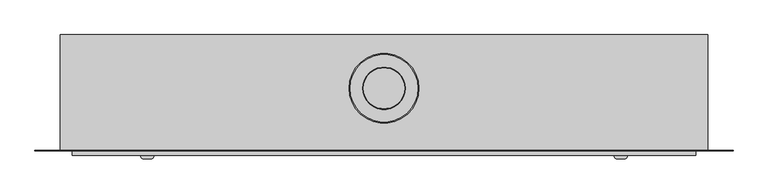
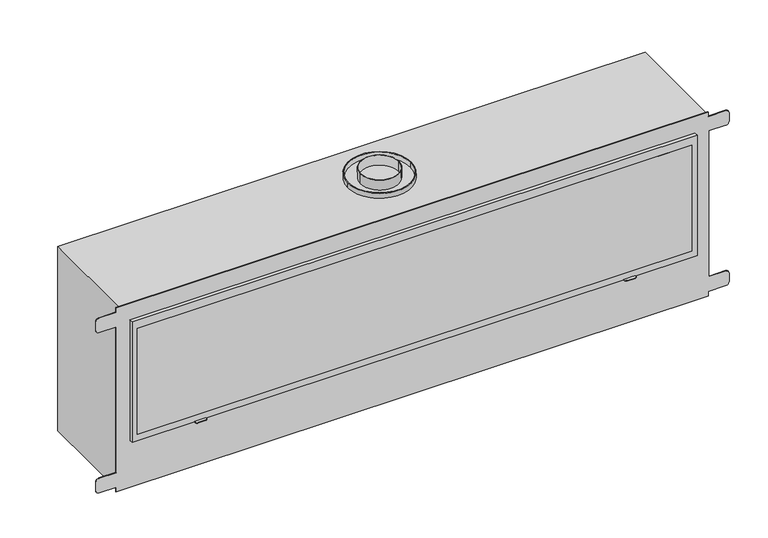
"""IFC4 building model written with IfcOpenShell, lengths in millimetres: proxy geometry."""

from ifc_helpers import new_model, si_unit, point, frame, frame_2d, origin, origin_with_axes, origin_2d, place, context, project, spatial, polyline, circle_curve, trimmed, segment, composite_curve, outline, extrude, source, transform, mapped, element, save


def generic_models_8a069cad(model_context):
    return source(origin(), model_context, "Body", "SweptSolid", [
        extrude(outline(polyline([(926.9793009, -203.10317), (-926.9793009, -203.10317), (-926.9793009, -190.5513509), (926.9793009, -190.5513509), (926.9793009, -203.10317)])), frame((0.0, 0.0, 188.9439534), z_axis=(0.0, 0.0, 1.0), x_axis=(1.0, 0.0, 0.0)), (0.0, 0.0, 1.0), 374.8832152),
        extrude(outline(polyline([(592.8959609, -944.5625), (167.1247785, -944.5625), (167.1247785, 944.5625), (592.8959609, 944.5625), (592.8959609, -944.5625)]), holes=[polyline([(563.8271686, -926.9793009), (563.8271686, 926.9793009), (188.9439534, 926.9793009), (188.9439534, -926.9793009), (563.8271686, -926.9793009)])]), frame((0.0, -203.10317, 0.0), z_axis=(0.0, 1.0, 0.0), x_axis=(0.0, 0.0, 1.0)), (0.0, 0.0, 1.0), 12.5518191),
        extrude(outline(composite_curve([segment(polyline([(0.0, 988.08121), (17.0564191, 988.08121), (17.0564191, 1047.5328585)]), True, "CONTINUOUS"), segment(trimmed(circle_curve(frame_2d((27.9421334, 1047.5328585)), 10.8857143), [point((17.0564191, 1047.5328585))], [point((27.9421334, 1058.4185728))], False, "CARTESIAN"), True, "CONTINUOUS"), segment(polyline([(27.9421334, 1058.4185728), (57.3143904, 1058.4185728)]), True, "CONTINUOUS"), segment(trimmed(circle_curve(frame_2d((57.3143904, 1047.5328585)), 10.8857143), [point((57.3143904, 1058.4185728))], [point((68.2001047, 1047.5328585))], False, "CARTESIAN"), True, "CONTINUOUS"), segment(polyline([(68.2001047, 1047.5328585), (68.2001047, 990.3207555), (584.1887484, 990.3207555), (584.1887484, 1047.5328585)]), True, "CONTINUOUS"), segment(trimmed(circle_curve(frame_2d((595.0744627, 1047.5328585)), 10.8857143), [point((584.1887484, 1047.5328585))], [point((595.0744627, 1058.4185728))], False, "CARTESIAN"), True, "CONTINUOUS"), segment(polyline([(595.0744627, 1058.4185728), (624.4467197, 1058.4185728)]), True, "CONTINUOUS"), segment(trimmed(circle_curve(frame_2d((624.4467197, 1047.5328585)), 10.8857143), [point((624.4467197, 1058.4185728))], [point((635.332434, 1047.5328585))], False, "CARTESIAN"), True, "CONTINUOUS"), segment(polyline([(635.332434, 1047.5328585), (635.332434, 988.607442), (650.6670085, 988.607442), (650.6670085, -990.3207555), (635.332434, -990.3207555), (635.332434, -1047.5328585)]), True, "CONTINUOUS"), segment(trimmed(circle_curve(frame_2d((624.4467197, -1047.5328585)), 10.8857143), [point((635.332434, -1047.5328585))], [point((624.4467197, -1058.4185728))], False, "CARTESIAN"), True, "CONTINUOUS"), segment(polyline([(624.4467197, -1058.4185728), (595.0744627, -1058.4185728)]), True, "CONTINUOUS"), segment(trimmed(circle_curve(frame_2d((595.0744627, -1047.5328585)), 10.8857143), [point((595.0744627, -1058.4185728))], [point((584.1887484, -1047.5328585))], False, "CARTESIAN"), True, "CONTINUOUS"), segment(polyline([(584.1887484, -1047.5328585), (584.1887484, -990.3207555), (68.2001047, -990.3207555), (68.2001047, -1047.5328585)]), True, "CONTINUOUS"), segment(trimmed(circle_curve(frame_2d((57.3143904, -1047.5328585)), 10.8857143), [point((68.2001047, -1047.5328585))], [point((57.3143904, -1058.4185728))], False, "CARTESIAN"), True, "CONTINUOUS"), segment(polyline([(57.3143904, -1058.4185728), (27.9421334, -1058.4185728)]), True, "CONTINUOUS"), segment(trimmed(circle_curve(frame_2d((27.9421334, -1047.5328585)), 10.8857143), [point((27.9421334, -1058.4185728))], [point((17.0564191, -1047.5328585))], False, "CARTESIAN"), True, "CONTINUOUS"), segment(polyline([(17.0564191, -1047.5328585), (17.0564191, -990.3207555), (0.0, -990.3207555), (0.0, 988.08121)]), True, "CONTINUOUS")], self_intersect=False)), frame((0.0, -190.5513509, 0.0), z_axis=(0.0, 1.0, 0.0), x_axis=(0.0, 0.0, 1.0)), (0.0, 0.0, 1.0), 2.0900571),
        extrude(outline(composite_curve([segment(trimmed(circle_curve(frame_2d((-730.4955447, -207.6512988)), 6.3521352), [point((-730.4955447, -214.0034339))], [point((-736.8476799, -207.6512988))], False, "CARTESIAN"), True, "CONTINUOUS"), segment(polyline([(-736.8476799, -207.6512988), (-736.8476799, -203.10317), (-698.7348689, -203.10317), (-698.7348689, -207.6512988)]), True, "CONTINUOUS"), segment(trimmed(circle_curve(frame_2d((-705.087004, -207.6512988)), 6.3521352), [point((-698.7348689, -207.6512988))], [point((-705.087004, -214.0034339))], False, "CARTESIAN"), True, "CONTINUOUS"), segment(polyline([(-705.087004, -214.0034339), (-730.4955447, -214.0034339)]), True, "CONTINUOUS")], self_intersect=False)), frame((0.0, 0.0, 167.1247785), z_axis=(0.0, 0.0, 1.0), x_axis=(1.0, 0.0, 0.0)), (0.0, 0.0, 1.0), 1.7197064),
        extrude(outline(composite_curve([segment(trimmed(circle_curve(frame_2d((705.087004, -207.6512988)), 6.3521352), [point((705.087004, -214.0034339))], [point((698.7348689, -207.6512988))], False, "CARTESIAN"), True, "CONTINUOUS"), segment(polyline([(698.7348689, -207.6512988), (698.7348689, -203.10317), (736.8476799, -203.10317), (736.8476799, -207.6512988)]), True, "CONTINUOUS"), segment(trimmed(circle_curve(frame_2d((730.4955447, -207.6512988)), 6.3521352), [point((736.8476799, -207.6512988))], [point((730.4955447, -214.0034339))], False, "CARTESIAN"), True, "CONTINUOUS"), segment(polyline([(730.4955447, -214.0034339), (705.087004, -214.0034339)]), True, "CONTINUOUS")], self_intersect=False)), frame((0.0, 0.0, 167.1247785), z_axis=(0.0, 0.0, 1.0), x_axis=(1.0, 0.0, 0.0)), (0.0, 0.0, 1.0), 1.7197064),
        extrude(outline(composite_curve([segment(trimmed(circle_curve(origin_2d(), 64.0295225), [point((-64.0295225, 0.0))], [point((64.0295225, 0.0))], False, "CARTESIAN"), True, "CONTINUOUS"), segment(trimmed(circle_curve(origin_2d(), 64.0295225), [point((64.0295225, 0.0))], [point((-64.0295225, 0.0))], False, "CARTESIAN"), True, "CONTINUOUS")], self_intersect=False), holes=[composite_curve([segment(trimmed(circle_curve(origin_2d(), 62.2509247), [point((-62.2509247, 0.0))], [point((62.2509247, 0.0))], True, "CARTESIAN"), True, "CONTINUOUS"), segment(trimmed(circle_curve(origin_2d(), 62.2509247), [point((62.2509247, 0.0))], [point((-62.2509247, 0.0))], True, "CARTESIAN"), True, "CONTINUOUS")], self_intersect=False)]), frame((0.0, 0.0, 650.6670085), z_axis=(0.0, 0.0, 1.0), x_axis=(1.0, 0.0, 0.0)), (0.0, 0.0, 1.0), 35.1329915),
        extrude(outline(composite_curve([segment(trimmed(circle_curve(origin_2d(), 106.0806574), [point((-106.0806574, 0.0))], [point((106.0806574, 0.0))], False, "CARTESIAN"), True, "CONTINUOUS"), segment(trimmed(circle_curve(origin_2d(), 106.0806574), [point((106.0806574, 0.0))], [point((-106.0806574, 0.0))], False, "CARTESIAN"), True, "CONTINUOUS")], self_intersect=False), holes=[composite_curve([segment(trimmed(circle_curve(origin_2d(), 102.586983), [point((-102.586983, 0.0))], [point((102.586983, 0.0))], True, "CARTESIAN"), True, "CONTINUOUS"), segment(trimmed(circle_curve(origin_2d(), 102.586983), [point((102.586983, 0.0))], [point((-102.586983, 0.0))], True, "CARTESIAN"), True, "CONTINUOUS")], self_intersect=False)]), frame((0.0, 0.0, 650.6670085), z_axis=(0.0, 0.0, 1.0), x_axis=(1.0, 0.0, 0.0)), (0.0, 0.0, 1.0), 17.5225948),
        extrude(outline(polyline([(982.2941829, 162.551139), (982.2941829, -188.8489786), (-981.7860121, -188.8489786), (-981.7860121, 162.551139), (982.2941829, 162.551139)])), origin_with_axes(), (0.0, 0.0, 1.0), 650.6670085),
    ])


if __name__ == "__main__":
    model = new_model("IFC4")
    model_context = context("Model", 3, world=origin())
    ifc_project = project(units=[si_unit("LENGTHUNIT", "METRE", prefix="MILLI")], contexts=[model_context])
    site = spatial("IfcSite", under=ifc_project)
    building = spatial("IfcBuilding", under=site)
    placement = place(None, origin())
    generic_models_shape = generic_models_8a069cad(model_context)
    element("IfcBuildingElementProxy", 1, Name="Generic Models", at=placement, inside=building, context=model_context, shape_type="MappedRepresentation", body=[
        mapped(generic_models_shape, transform((0.0, 0.0, 0.0), x_axis=(1.0, 0.0, 0.0), y_axis=(0.0, 1.0, 0.0), z_axis=(0.0, 0.0, 1.0))),
    ])
    save(model, "model.ifc")
